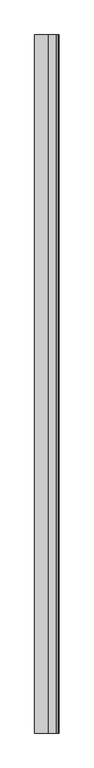
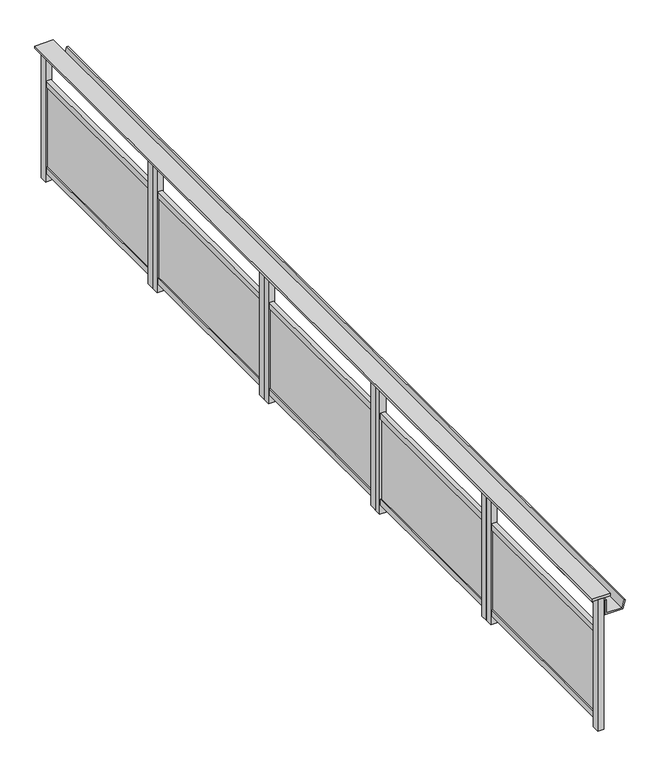
"""IFC4 building model written with IfcOpenShell, lengths in millimetres: railing geometry."""

from ifc_helpers import new_model, si_unit, frame, origin, origin_with_axes, place, context, project, spatial, polyline, outline, extrude, source, transform, mapped, element, save


def railing_19e01224(model_context):
    return source(origin(), model_context, "Body", "SweptSolid", [
        extrude(outline(polyline([(7940.5303378, -25760.8033767), (7820.5303378, -25760.8033767), (7820.5303378, -19510.8033767), (7940.5303378, -19510.8033767), (7940.5303378, -25760.8033767)])), frame((0.0, 0.0, 899.8828423), z_axis=(0.0, 0.0, 1.0), x_axis=(1.0, 0.0, 0.0)), (0.0, 0.0, 1.0), 15.1171577),
        extrude(outline(polyline([(780.0, 7905.5303378), (780.0, 8022.7382617), (836.340031, 8037.8345275), (838.9282214, 8028.1752692), (790.0, 8015.0649918), (790.0, 7915.5303378), (880.0, 7915.5303378), (880.0, 7905.5303378), (780.0, 7905.5303378)])), frame((0.0, -25760.8033767, 0.0), z_axis=(0.0, 1.0, 0.0), x_axis=(0.0, 0.0, 1.0)), (0.0, 0.0, 1.0), 6250.0),
        extrude(outline(polyline([(7885.5303378, -19560.8026662), (7885.5303378, -20710.8038144), (7873.5303378, -20710.8038144), (7873.5303378, -19560.8026662), (7885.5303378, -19560.8026662)])), frame((0.0, 0.0, 100.0), z_axis=(0.0, 0.0, 1.0), x_axis=(1.0, 0.0, 0.0)), (0.0, 0.0, 1.0), 549.9990226),
        extrude(outline(polyline([(7895.5303378, -19560.8026662), (7895.5303378, -20710.8030382), (7865.5303378, -20710.8030382), (7865.5303378, -19560.8026662), (7895.5303378, -19560.8026662)])), frame((0.0, 0.0, 649.9990226), z_axis=(0.0, 0.0, 1.0), x_axis=(1.0, 0.0, 0.0)), (0.0, 0.0, 1.0), 40.0009774),
        extrude(outline(polyline([(7895.5303378, -19560.8026662), (7895.5303378, -20710.8030382), (7865.5303378, -20710.8030382), (7865.5303378, -19560.8026662), (7895.5303378, -19560.8026662)])), frame((0.0, 0.0, 60.0), z_axis=(0.0, 0.0, 1.0), x_axis=(1.0, 0.0, 0.0)), (0.0, 0.0, 1.0), 40.0),
        extrude(outline(polyline([(7900.5303378, -19510.8033767), (7900.5303378, -19560.8033767), (7860.5303378, -19560.8033767), (7860.5303378, -19510.8033767), (7900.5303378, -19510.8033767)])), origin_with_axes(), (0.0, 0.0, 1.0), 900.0),
        extrude(outline(polyline([(7900.5303378, -20710.8030382), (7900.5303378, -20760.8030382), (7860.5303378, -20760.8030382), (7860.5303378, -20710.8030382), (7900.5303378, -20710.8030382)])), origin_with_axes(), (0.0, 0.0, 1.0), 900.0),
        extrude(outline(polyline([(7885.5303378, -20811.8026662), (7885.5303378, -21961.8038144), (7873.5303378, -21961.8038144), (7873.5303378, -20811.8026662), (7885.5303378, -20811.8026662)])), frame((0.0, 0.0, 100.0), z_axis=(0.0, 0.0, 1.0), x_axis=(1.0, 0.0, 0.0)), (0.0, 0.0, 1.0), 549.9990226),
        extrude(outline(polyline([(7895.5303378, -20811.8026662), (7895.5303378, -21961.8030382), (7865.5303378, -21961.8030382), (7865.5303378, -20811.8026662), (7895.5303378, -20811.8026662)])), frame((0.0, 0.0, 649.9990226), z_axis=(0.0, 0.0, 1.0), x_axis=(1.0, 0.0, 0.0)), (0.0, 0.0, 1.0), 40.0009774),
        extrude(outline(polyline([(7895.5303378, -20811.8026662), (7895.5303378, -21961.8030382), (7865.5303378, -21961.8030382), (7865.5303378, -20811.8026662), (7895.5303378, -20811.8026662)])), frame((0.0, 0.0, 60.0), z_axis=(0.0, 0.0, 1.0), x_axis=(1.0, 0.0, 0.0)), (0.0, 0.0, 1.0), 40.0),
        extrude(outline(polyline([(7900.5303378, -20761.8033767), (7900.5303378, -20811.8033767), (7860.5303378, -20811.8033767), (7860.5303378, -20761.8033767), (7900.5303378, -20761.8033767)])), origin_with_axes(), (0.0, 0.0, 1.0), 900.0),
        extrude(outline(polyline([(7900.5303378, -21961.8030382), (7900.5303378, -22011.8030382), (7860.5303378, -22011.8030382), (7860.5303378, -21961.8030382), (7900.5303378, -21961.8030382)])), origin_with_axes(), (0.0, 0.0, 1.0), 900.0),
        extrude(outline(polyline([(7885.5303378, -22062.8026662), (7885.5303378, -23212.8038144), (7873.5303378, -23212.8038144), (7873.5303378, -22062.8026662), (7885.5303378, -22062.8026662)])), frame((0.0, 0.0, 100.0), z_axis=(0.0, 0.0, 1.0), x_axis=(1.0, 0.0, 0.0)), (0.0, 0.0, 1.0), 549.9990226),
        extrude(outline(polyline([(7895.5303378, -22062.8026662), (7895.5303378, -23212.8030382), (7865.5303378, -23212.8030382), (7865.5303378, -22062.8026662), (7895.5303378, -22062.8026662)])), frame((0.0, 0.0, 649.9990226), z_axis=(0.0, 0.0, 1.0), x_axis=(1.0, 0.0, 0.0)), (0.0, 0.0, 1.0), 40.0009774),
        extrude(outline(polyline([(7895.5303378, -22062.8026662), (7895.5303378, -23212.8030382), (7865.5303378, -23212.8030382), (7865.5303378, -22062.8026662), (7895.5303378, -22062.8026662)])), frame((0.0, 0.0, 60.0), z_axis=(0.0, 0.0, 1.0), x_axis=(1.0, 0.0, 0.0)), (0.0, 0.0, 1.0), 40.0),
        extrude(outline(polyline([(7900.5303378, -22012.8033767), (7900.5303378, -22062.8033767), (7860.5303378, -22062.8033767), (7860.5303378, -22012.8033767), (7900.5303378, -22012.8033767)])), origin_with_axes(), (0.0, 0.0, 1.0), 900.0),
        extrude(outline(polyline([(7900.5303378, -23212.8030382), (7900.5303378, -23262.8030382), (7860.5303378, -23262.8030382), (7860.5303378, -23212.8030382), (7900.5303378, -23212.8030382)])), origin_with_axes(), (0.0, 0.0, 1.0), 900.0),
        extrude(outline(polyline([(7885.5303378, -23311.8028355), (7885.5303378, -24461.8039837), (7873.5303378, -24461.8039837), (7873.5303378, -23311.8028355), (7885.5303378, -23311.8028355)])), frame((0.0, 0.0, 100.0), z_axis=(0.0, 0.0, 1.0), x_axis=(1.0, 0.0, 0.0)), (0.0, 0.0, 1.0), 549.9990226),
        extrude(outline(polyline([(7895.5303378, -23311.8028355), (7895.5303378, -24461.8032074), (7865.5303378, -24461.8032074), (7865.5303378, -23311.8028355), (7895.5303378, -23311.8028355)])), frame((0.0, 0.0, 649.9990226), z_axis=(0.0, 0.0, 1.0), x_axis=(1.0, 0.0, 0.0)), (0.0, 0.0, 1.0), 40.0009774),
        extrude(outline(polyline([(7895.5303378, -23311.8028355), (7895.5303378, -24461.8032074), (7865.5303378, -24461.8032074), (7865.5303378, -23311.8028355), (7895.5303378, -23311.8028355)])), frame((0.0, 0.0, 60.0), z_axis=(0.0, 0.0, 1.0), x_axis=(1.0, 0.0, 0.0)), (0.0, 0.0, 1.0), 40.0),
        extrude(outline(polyline([(7900.5303378, -23261.8035459), (7900.5303378, -23311.8035459), (7860.5303378, -23311.8035459), (7860.5303378, -23261.8035459), (7900.5303378, -23261.8035459)])), origin_with_axes(), (0.0, 0.0, 1.0), 900.0),
        extrude(outline(polyline([(7900.5303378, -24461.8032074), (7900.5303378, -24511.8032074), (7860.5303378, -24511.8032074), (7860.5303378, -24461.8032074), (7900.5303378, -24461.8032074)])), origin_with_axes(), (0.0, 0.0, 1.0), 900.0),
        extrude(outline(polyline([(7885.5303378, -24560.8030047), (7885.5303378, -25710.8041529), (7873.5303378, -25710.8041529), (7873.5303378, -24560.8030047), (7885.5303378, -24560.8030047)])), frame((0.0, 0.0, 100.0), z_axis=(0.0, 0.0, 1.0), x_axis=(1.0, 0.0, 0.0)), (0.0, 0.0, 1.0), 549.9990226),
        extrude(outline(polyline([(7895.5303378, -24560.8030047), (7895.5303378, -25710.8033767), (7865.5303378, -25710.8033767), (7865.5303378, -24560.8030047), (7895.5303378, -24560.8030047)])), frame((0.0, 0.0, 649.9990226), z_axis=(0.0, 0.0, 1.0), x_axis=(1.0, 0.0, 0.0)), (0.0, 0.0, 1.0), 40.0009774),
        extrude(outline(polyline([(7895.5303378, -24560.8030047), (7895.5303378, -25710.8033767), (7865.5303378, -25710.8033767), (7865.5303378, -24560.8030047), (7895.5303378, -24560.8030047)])), frame((0.0, 0.0, 60.0), z_axis=(0.0, 0.0, 1.0), x_axis=(1.0, 0.0, 0.0)), (0.0, 0.0, 1.0), 40.0),
        extrude(outline(polyline([(7900.5303378, -24510.8037152), (7900.5303378, -24560.8037152), (7860.5303378, -24560.8037152), (7860.5303378, -24510.8037152), (7900.5303378, -24510.8037152)])), origin_with_axes(), (0.0, 0.0, 1.0), 900.0),
        extrude(outline(polyline([(7900.5303378, -25710.8033767), (7900.5303378, -25760.8033767), (7860.5303378, -25760.8033767), (7860.5303378, -25710.8033767), (7900.5303378, -25710.8033767)])), origin_with_axes(), (0.0, 0.0, 1.0), 900.0),
    ])


if __name__ == "__main__":
    model = new_model("IFC4")
    model_context = context("Model", 3, world=origin())
    ifc_project = project(units=[si_unit("LENGTHUNIT", "METRE", prefix="MILLI")], contexts=[model_context])
    site = spatial("IfcSite", under=ifc_project)
    building = spatial("IfcBuilding", under=site)
    placement = place(None, origin())
    railing_shape = railing_19e01224(model_context)
    element("IfcRailing", 1, at=placement, inside=building, context=model_context, shape_type="MappedRepresentation", body=[
        mapped(railing_shape, transform((0.0, 0.0, 0.0), x_axis=(1.0, 0.0, 0.0), y_axis=(0.0, 1.0, 0.0), z_axis=(0.0, 0.0, 1.0))),
    ])
    save(model, "model.ifc")
